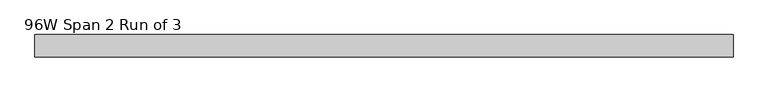
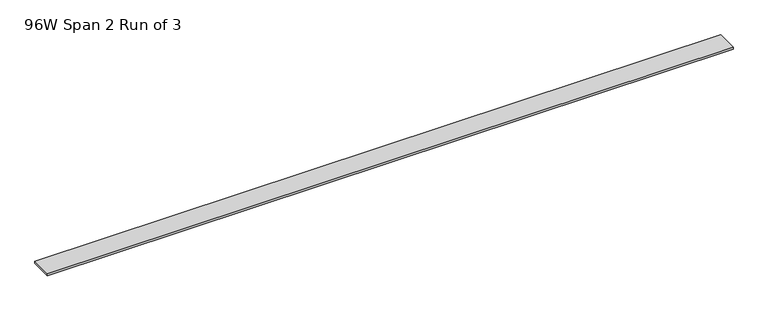
"""IFC4 building model written with IfcOpenShell, lengths in millimetres: furniture geometry, 96W Span 2 Run of 3."""

from ifc_helpers import new_model, si_unit, frame, origin, place, context, project, spatial, polyline, outline, extrude, source, transform, mapped, element, save


def furniture_96w_span_2_run_of_3_190ecb08(model_context):
    return source(origin(), model_context, "Body", "SweptSolid", [
        extrude(outline(polyline([(1163.21205, 38.735), (1163.21205, -38.735), (-1275.18795, -38.735), (-1275.18795, 38.735), (1163.21205, 38.735)])), frame((0.0, 0.0, 1429.766), z_axis=(0.0, 0.0, 1.0), x_axis=(1.0, 0.0, 0.0)), (0.0, 0.0, 1.0), 6.858),
    ])


if __name__ == "__main__":
    model = new_model("IFC4")
    model_context = context("Model", 3, world=origin())
    ifc_project = project(units=[si_unit("LENGTHUNIT", "METRE", prefix="MILLI")], contexts=[model_context])
    site = spatial("IfcSite", under=ifc_project)
    building = spatial("IfcBuilding", under=site)
    placement = place(None, origin())
    furniture_96w_span_2_run_of_3_shape = furniture_96w_span_2_run_of_3_190ecb08(model_context)
    element("IfcFurniture", 1, ObjectType="96W Span 2 Run of 3", at=placement, inside=building, context=model_context, shape_type="MappedRepresentation", body=[
        mapped(furniture_96w_span_2_run_of_3_shape, transform((0.0, 0.0, 0.0), x_axis=(1.0, 0.0, 0.0), y_axis=(0.0, 1.0, 0.0), z_axis=(0.0, 0.0, 1.0))),
    ])
    save(model, "model.ifc")
